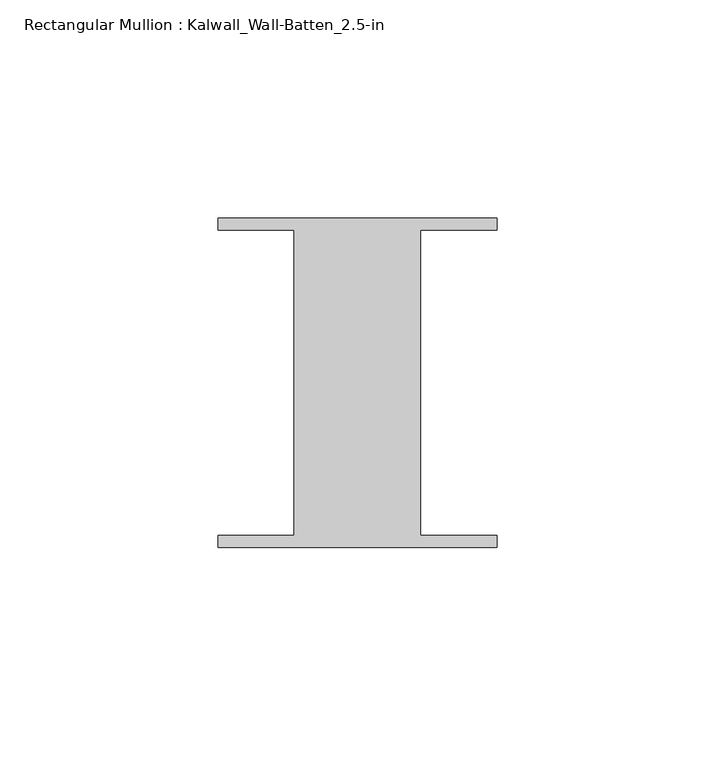
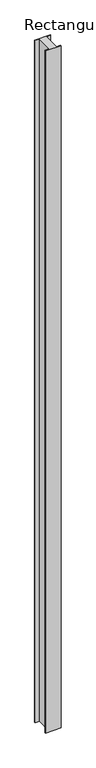
"""IFC4 building model written with IfcOpenShell, lengths in millimetres: member geometry, Rectangular Mullion : Kalwall_Wall-Batten_2.5-in."""

from ifc_helpers import new_model, si_unit, frame, origin, place, context, project, spatial, polyline, outline, extrude, source, transform, mapped, element, save


def rectangular_mullion_kalwall_wall_batten_2_5_in_121e42ba(model_context):
    return source(origin(), model_context, "Body", "SweptSolid", [
        extrude(outline(polyline([(-32.0, 36.524), (32.0, 36.524), (32.0, 33.73), (14.5, 33.73), (14.5, -36.27), (32.0, -36.27), (32.0, -39.064), (-32.0, -39.064), (-32.0, -36.27), (-14.5, -36.27), (-14.5, 33.73), (-32.0, 33.73), (-32.0, 36.524)])), frame((0.0, 0.0, -2946.4), z_axis=(0.0, 0.0, 1.0), x_axis=(1.0, 0.0, 0.0)), (0.0, 0.0, 1.0), 2946.4),
    ])


if __name__ == "__main__":
    model = new_model("IFC4")
    model_context = context("Model", 3, world=origin())
    ifc_project = project(units=[si_unit("LENGTHUNIT", "METRE", prefix="MILLI")], contexts=[model_context])
    site = spatial("IfcSite", under=ifc_project)
    building = spatial("IfcBuilding", under=site)
    placement = place(None, origin())
    rectangular_mullion_kalwall_wall_batten_2_5_in_shape = rectangular_mullion_kalwall_wall_batten_2_5_in_121e42ba(model_context)
    element("IfcMember", 1, ObjectType="Rectangular Mullion : Kalwall_Wall-Batten_2.5-in", at=placement, inside=building, context=model_context, shape_type="MappedRepresentation", body=[
        mapped(rectangular_mullion_kalwall_wall_batten_2_5_in_shape, transform((0.0, 0.0, 0.0), x_axis=(1.0, 0.0, 0.0), y_axis=(0.0, 1.0, 0.0), z_axis=(0.0, 0.0, 1.0))),
    ])
    save(model, "model.ifc")
